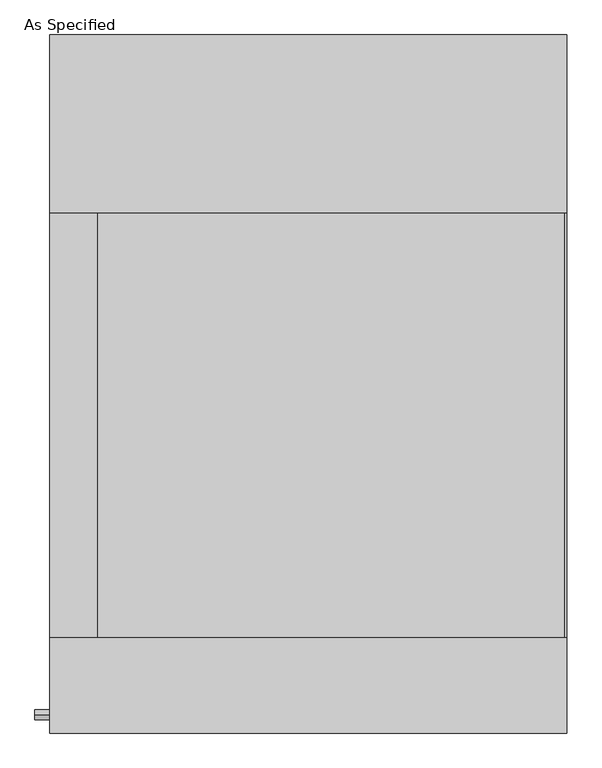
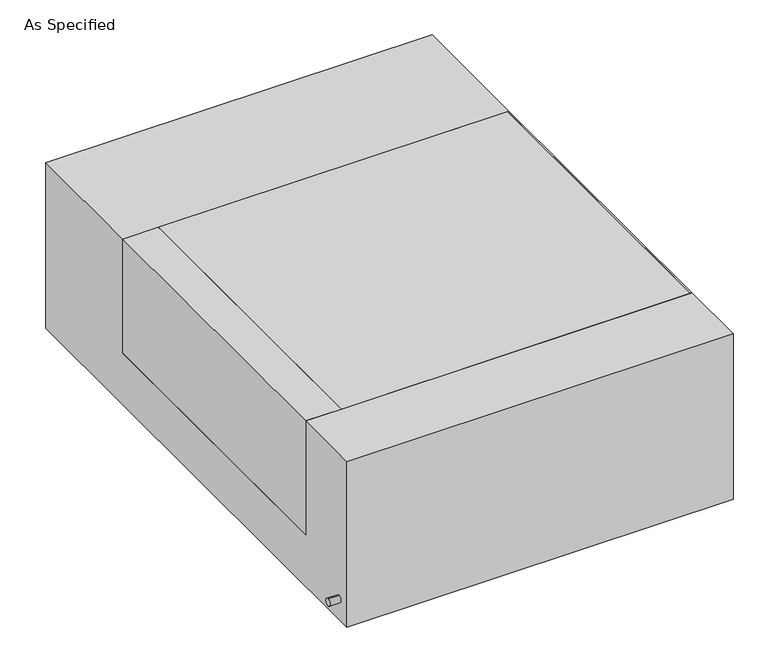
"""IFC4 building model written with IfcOpenShell, lengths in millimetres: proxy geometry, As Specified."""

from ifc_helpers import new_model, si_unit, point, frame, frame_2d, origin, place, context, project, spatial, polyline, circle_curve, trimmed, segment, composite_curve, outline, extrude, source, transform, mapped, element, save


def as_specified_f8bce6dc(model_context):
    return source(origin(), model_context, "Body", "SweptSolid", [
        extrude(outline(composite_curve([segment(trimmed(circle_curve(frame_2d((-712.7875, -466.725)), 10.5), [point((-712.7875, -456.225))], [point((-712.7875, -477.225))], False, "CARTESIAN"), True, "CONTINUOUS"), segment(trimmed(circle_curve(frame_2d((-712.7875, -466.725)), 10.5), [point((-712.7875, -477.225))], [point((-712.7875, -456.225))], False, "CARTESIAN"), True, "CONTINUOUS")], self_intersect=False)), frame((-589.0528384, 0.0, 0.0), z_axis=(1.0, 0.0, 0.0), x_axis=(0.0, 1.0, 0.0)), (0.0, 0.0, 1.0), 31.8403384),
        extrude(outline(polyline([(-454.81875, 368.3), (-454.81875, -546.1), (-557.2125, -546.1), (-557.2125, 368.3), (-454.81875, 368.3)])), frame((0.0, 0.0, -373.0625), z_axis=(0.0, 0.0, 1.0), x_axis=(1.0, 0.0, 0.0)), (0.0, 0.0, 1.0), 347.6625),
        extrude(outline(polyline([(553.24375, 368.3), (557.2125, 368.3), (557.2125, -546.1), (553.24375, -546.1), (553.24375, 368.3)])), frame((0.0, 0.0, -39.6875), z_axis=(0.0, 0.0, 1.0), x_axis=(1.0, 0.0, 0.0)), (0.0, 0.0, 1.0), 14.2875),
        extrude(outline(polyline([(557.2125, 368.3), (557.2125, -546.1), (-454.81875, -546.1), (-454.81875, 368.3), (557.2125, 368.3)])), frame((0.0, 0.0, -373.0625), z_axis=(0.0, 0.0, 1.0), x_axis=(1.0, 0.0, 0.0)), (0.0, 0.0, 1.0), 347.6625),
        extrude(outline(polyline([(752.475, -25.4), (752.475, -530.225), (-752.475, -530.225), (-752.475, -25.4), (-546.1, -25.4), (-546.1, -373.0625), (368.3, -373.0625), (368.3, -25.4), (752.475, -25.4)])), frame((-557.2125, 0.0, 0.0), z_axis=(1.0, 0.0, 0.0), x_axis=(0.0, 1.0, 0.0)), (0.0, 0.0, 1.0), 1114.425),
    ])


if __name__ == "__main__":
    model = new_model("IFC4")
    model_context = context("Model", 3, world=origin())
    ifc_project = project(units=[si_unit("LENGTHUNIT", "METRE", prefix="MILLI")], contexts=[model_context])
    site = spatial("IfcSite", under=ifc_project)
    building = spatial("IfcBuilding", under=site)
    placement = place(None, origin())
    as_specified_shape = as_specified_f8bce6dc(model_context)
    element("IfcBuildingElementProxy", 1, Name="As Specified", ObjectType="As Specified", at=placement, inside=building, context=model_context, shape_type="MappedRepresentation", body=[
        mapped(as_specified_shape, transform((0.0, 0.0, 0.0), x_axis=(1.0, 0.0, 0.0), y_axis=(0.0, 1.0, 0.0), z_axis=(0.0, 0.0, 1.0))),
    ])
    save(model, "model.ifc")
